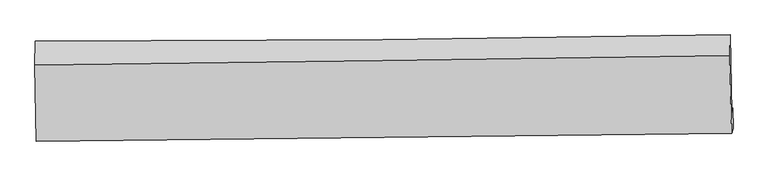
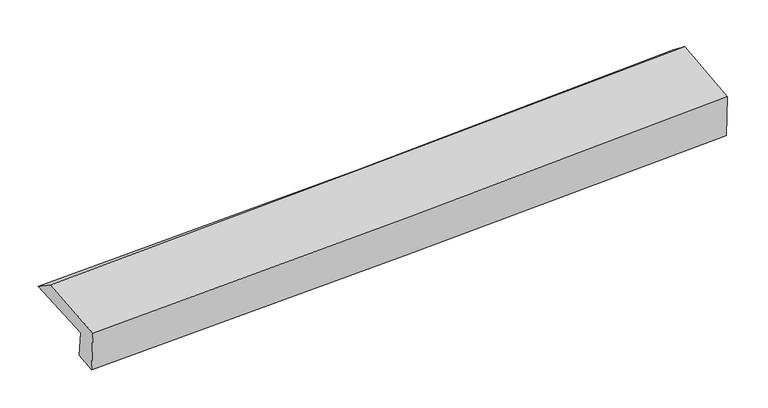
"""IFC4 building model written with IfcOpenShell, lengths in millimetres: proxy geometry."""

from ifc_helpers import new_model, si_unit, frame, origin, place, context, project, spatial, source, transform, mapped, element, save
from ifc_brep_helpers import plane_surface, spline_curve, spline_surface, advanced_brep


def generic_models_806c679a(model_context):
    return source(origin(), model_context, "Body", "AdvancedBrep", [
        advanced_brep(
        [(-3027.2914995, -1814.7844424, 1890.0587656), (-3040.0462965, -1141.8290234, 1951.1169818), (3001.2180976, -1088.6516474, 2175.219403), (3015.5216538, -1763.4624504, 2088.5796472), (-3019.5552001, -1774.6282198, 1640.3568097), (3023.8401079, -1727.875451, 1823.6884907), (-3015.5222691, -1972.3715088, 1613.9174878), (3027.6430399, -1905.7963426, 1799.9050008), (-3028.0212263, -2015.2702845, 2006.9165097), (3014.2389557, -1946.4781067, 2218.3919651), (-3041.5576375, -1351.5509027, 2095.6592958), (2999.6309804, -1270.897399, 2313.6871013)],
        [
            (0, 1),
            (1, 2, spline_curve(3, [(-3040.0462965, -1141.8290234, 1951.1169818), (-2032.757348739, -1144.015616344, 1980.379191975), (-1025.671181726, -1140.677405925, 2013.685633976), (988.083611278, -1122.951482322, 2088.38653705), (1994.752242574, -1108.563900906, 2129.780902207), (3001.2180976, -1088.6516474, 2175.219403)], [4, 2, 4], [0.0, 9.918179563511899, 19.836241126931455])),
            (2, 3),
            (3, 0, spline_curve(3, [(3015.5216538, -1763.4624504, 2088.5796472), (2008.705078926, -1783.523730716, 2050.162037387), (1001.732025495, -1797.831212537, 2014.409908117), (-1012.539022214, -1814.938679831, 1948.236217635), (-2019.837019305, -1817.738528874, 1917.814719698), (-3027.2914995, -1814.7844424, 1890.0587656)], [4, 2, 4], [0.0, 9.918061563419556, 19.836241126931455])),
            (4, 0),
            (3, 5),
            (5, 4, spline_curve(3, [(3023.8401079, -1727.875451, 1823.6884907), (2017.016862307, -1749.141869142, 1786.041427407), (1009.991961066, -1763.671159462, 1751.940325286), (-1004.473136939, -1779.255575845, 1690.829680384), (-2011.913338261, -1780.310542223, 1663.820222293), (-3019.5552001, -1774.6282198, 1640.3568097)], [4, 2, 4], [0.0, 9.918679007299053, 19.837476022036483])),
            (6, 4),
            (5, 7),
            (7, 6, spline_curve(3, [(3027.6430399, -1905.7963426, 1799.9050008), (2020.645131098, -1920.093729822, 1763.188711835), (1013.552064151, -1932.790330643, 1729.331683347), (-1000.836370168, -1954.98209097, 1667.335777657), (-2008.131739336, -1964.477212138, 1639.196968711), (-3015.5222691, -1972.3715088, 1613.9174878)], [4, 2, 4], [0.0, 9.918655552697027, 19.83742911255338])),
            (8, 6),
            (7, 9),
            (9, 8, spline_curve(3, [(3014.2389557, -1946.4781067, 2218.3919651), (2007.413220297, -1959.440548351, 2175.993166073), (1000.481666493, -1971.654420892, 2137.170895278), (-1013.605058115, -1994.585164716, 2066.678991986), (-2020.760231932, -2005.302017992, 2035.009443891), (-3028.0212263, -2015.2702845, 2006.9165097)], [4, 2, 4], [0.0, 9.918575861209181, 19.837269728629558])),
            (10, 8),
            (9, 11),
            (11, 10, spline_curve(3, [(2999.6309804, -1270.897399, 2313.6871013), (1992.923704183, -1285.180082254, 2271.922325883), (986.140676636, -1299.042511559, 2232.871046547), (-1027.588861134, -1325.92702277, 2160.195046525), (-2034.535372491, -1338.949094661, 2126.57039104), (-3041.5576375, -1351.5509027, 2095.6592958)], [4, 2, 4], [0.0, 9.917981563870635, 19.836081126881815])),
            (1, 10),
            (11, 2),
        ],
        [
            spline_surface(3, 3, [[(-3027.2914995, -1814.7844424, 1890.0587656), (-2019.837019435, -1817.738528994, 1917.814719579), (-1012.539022058, -1814.938679972, 1948.236217559), (1001.732025339, -1797.831212396, 2014.409908193), (2008.705079021, -1783.523730745, 2050.162037396), (3015.5216538, -1763.4624504, 2088.5796472)], [(-3031.543098481, -1590.465969406, 1910.411504344), (-2024.143795872, -1593.164224836, 1938.669543702), (-1016.916408661, -1590.184921932, 1970.052689654), (997.182554003, -1572.871302386, 2039.068784515), (2004.054133486, -1558.53712083, 2076.701659036), (3010.753801722, -1538.525516045, 2117.459565817)], [(-3035.794697519, -1366.147496394, 1930.764243056), (-2028.450572365, -1368.589920659, 1959.524367792), (-1021.29379522, -1365.431163906, 1991.869161761), (992.633082711, -1347.91139239, 2063.727660847), (1999.403187985, -1333.55051098, 2103.241280624), (3005.985949678, -1313.588581755, 2146.339484383)], [(-3040.0462965, -1141.8290234, 1951.1169818), (-2032.757348801, -1144.0156165, 1980.379191915), (-1025.671181823, -1140.677405866, 2013.685633857), (988.083611375, -1122.951482381, 2088.386537169), (1994.75224245, -1108.563901065, 2129.780902264), (3001.2180976, -1088.6516474, 2175.219403)]], [4, 4], [4, 2, 4], [0.0, 2.225378381095853], [0.0, 9.918179563511899, 19.836241126931455]),
            spline_surface(3, 3, [[(-3019.5552001, -1774.6282198, 1640.3568097), (-2011.913338153, -1780.310542078, 1663.820222196), (-1004.473136863, -1779.255575948, 1690.829680488), (1009.99196099, -1763.671159359, 1751.940325182), (2017.016862397, -1749.141869245, 1786.041427254), (3023.8401079, -1727.875451, 1823.6884907)], [(-3022.13396659, -1788.013627328, 1723.590794974), (-2014.554565271, -1792.786537711, 1748.485054631), (-1007.161765262, -1791.149943964, 1776.631859509), (1007.238649106, -1775.057843713, 1839.430186183), (2014.24626795, -1760.602489755, 1874.081630633), (3021.067289879, -1739.737784143, 1911.985542865)], [(-3024.71273301, -1801.399034872, 1806.824780326), (-2017.195792318, -1805.26253336, 1833.149887144), (-1009.850393659, -1803.044311956, 1862.434038538), (1004.485337223, -1786.444528042, 1926.920047192), (2011.475673468, -1772.063110236, 1962.121834017), (3018.294471821, -1751.600117257, 2000.282595035)], [(-3027.2914995, -1814.7844424, 1890.0587656), (-2019.837019435, -1817.738528994, 1917.814719579), (-1012.539022058, -1814.938679972, 1948.236217559), (1001.732025339, -1797.831212396, 2014.409908193), (2008.705079021, -1783.523730745, 2050.162037396), (3015.5216538, -1763.4624504, 2088.5796472)]], [4, 4], [4, 2, 4], [0.0, 0.8608934497506383], [0.0, 9.91879701473743, 19.837476022036483]),
            spline_surface(3, 3, [[(-3015.5222691, -1972.3715088, 1613.9174878), (-2008.131739275, -1964.477212195, 1639.196968601), (-1000.836370033, -1954.982090881, 1667.33577766), (1013.552064016, -1932.790330731, 1729.331683344), (2020.645131147, -1920.093729963, 1763.188711991), (3027.6430399, -1905.7963426, 1799.9050008)], [(-3016.866579434, -1906.457079143, 1622.730595107), (-2009.392272235, -1903.088322166, 1647.404719806), (-1002.048625618, -1896.406585904, 1675.167078627), (1012.365363033, -1876.417273608, 1736.867897314), (2019.435708235, -1863.10977638, 1770.806283756), (3026.375395905, -1846.489378723, 1807.832830778)], [(-3018.210889766, -1840.542649457, 1631.543702393), (-2010.652805193, -1841.699432107, 1655.612470991), (-1003.260881279, -1837.831080926, 1682.998379522), (1011.178661973, -1820.044216483, 1744.404111212), (2018.226285309, -1806.125822829, 1778.423855489), (3025.107751895, -1787.182414877, 1815.760660722)], [(-3019.5552001, -1774.6282198, 1640.3568097), (-2011.913338153, -1780.310542078, 1663.820222196), (-1004.473136863, -1779.255575948, 1690.829680488), (1009.99196099, -1763.671159359, 1751.940325182), (2017.016862397, -1749.141869245, 1786.041427254), (3023.8401079, -1727.875451, 1823.6884907)]], [4, 4], [4, 2, 4], [0.0, 0.5708469139321299], [0.0, 9.918773559856353, 19.83742911255338]),
            spline_surface(3, 3, [[(-3028.0212263, -2015.2702845, 2006.9165097), (-2020.760231868, -2005.302017959, 2035.009444005), (-1013.605058218, -1994.585164687, 2066.678991843), (1000.481666595, -1971.654420921, 2137.170895421), (2007.413220283, -1959.4405483, 2175.993166035), (3014.2389557, -1946.4781067, 2218.3919651)], [(-3023.85490721, -2000.970692584, 1875.916835749), (-2016.550734314, -1991.693749355, 1903.071952219), (-1009.348828846, -1981.384140074, 1933.564587104), (1004.838465712, -1958.69972418, 2001.224491384), (2011.823857242, -1946.324942201, 2038.391681343), (3018.706983771, -1932.91751868, 2078.896310323)], [(-3019.68858819, -1986.671100716, 1744.917161751), (-2012.341236829, -1978.085480799, 1771.134460386), (-1005.092599405, -1968.183115494, 1800.450182399), (1009.195264899, -1945.745027472, 1865.278087381), (2016.234494187, -1933.209336062, 1900.790196683), (3023.175011829, -1919.35693062, 1939.400655577)], [(-3015.5222691, -1972.3715088, 1613.9174878), (-2008.131739275, -1964.477212195, 1639.196968601), (-1000.836370033, -1954.982090881, 1667.33577766), (1013.552064016, -1932.790330731, 1729.331683344), (2020.645131147, -1920.093729963, 1763.188711991), (3027.6430399, -1905.7963426, 1799.9050008)]], [4, 4], [4, 2, 4], [0.0, 1.3310348263508516], [0.0, 9.918693867420377, 19.837269728629558]),
            spline_surface(3, 3, [[(-3041.5576375, -1351.5509027, 2095.6592958), (-2034.535372603, -1338.949094606, 2126.570391061), (-1027.588861001, -1325.927022789, 2160.195046662), (986.140676503, -1299.04251154, 2232.871046409), (1992.923704188, -1285.180082155, 2271.922325951), (2999.6309804, -1270.897399, 2313.6871013)], [(-3037.045500434, -1572.790696643, 2066.078367091), (-2029.943659025, -1561.066735733, 2096.050075367), (-1022.927593381, -1548.813070091, 2129.023028378), (990.921006559, -1523.246481336, 2200.970996069), (1997.753542877, -1509.933570875, 2239.945939298), (3004.500305491, -1496.090968238, 2281.922055886)], [(-3032.533363366, -1794.030490557, 2036.497438409), (-2025.351945446, -1783.184376832, 2065.529759699), (-1018.266325838, -1771.699117385, 2097.851010127), (995.701336539, -1747.450451124, 2169.070945761), (2002.583381594, -1734.687059581, 2207.969552687), (3009.369630609, -1721.284537462, 2250.157010514)], [(-3028.0212263, -2015.2702845, 2006.9165097), (-2020.760231868, -2005.302017959, 2035.009444005), (-1013.605058218, -1994.585164687, 2066.678991843), (1000.481666595, -1971.654420921, 2137.170895421), (2007.413220283, -1959.4405483, 2175.993166035), (3014.2389557, -1946.4781067, 2218.3919651)]], [4, 4], [4, 2, 4], [0.0, 2.222517976394278], [0.0, 9.91809956301118, 19.836081126881815]),
            spline_surface(3, 3, [[(-3040.0462965, -1141.8290234, 1951.1169818), (-2032.757348801, -1144.0156165, 1980.379191915), (-1025.671181823, -1140.677405866, 2013.685633857), (988.083611375, -1122.951482381, 2088.386537169), (1994.75224245, -1108.563901065, 2129.780902264), (3001.2180976, -1088.6516474, 2175.219403)], [(-3040.550076851, -1211.736316496, 1999.297753134), (-2033.350023419, -1208.993442531, 2029.109591631), (-1026.310408229, -1202.427278177, 2062.522104797), (987.435966405, -1181.648492104, 2136.548040254), (1994.142729695, -1167.435961434, 2177.161376824), (3000.689058533, -1149.400231272, 2221.375302431)], [(-3041.053857149, -1281.643609604, 2047.478524466), (-2033.942697985, -1273.971268575, 2077.839991344), (-1026.949634596, -1264.177150477, 2111.358575722), (986.788321473, -1240.345501816, 2184.709543324), (1993.533216943, -1226.308021787, 2224.54185139), (3000.160019467, -1210.148815128, 2267.531201869)], [(-3041.5576375, -1351.5509027, 2095.6592958), (-2034.535372603, -1338.949094606, 2126.570391061), (-1027.588861001, -1325.927022789, 2160.195046662), (986.140676503, -1299.04251154, 2232.871046409), (1992.923704188, -1285.180082155, 2271.922325951), (2999.6309804, -1270.897399, 2313.6871013)]], [4, 4], [4, 2, 4], [0.0, 0.7610903715365398], [0.0, 9.917546306568553, 19.834974620578848]),
            plane_surface(frame((3013.6821392, -1617.1935662, 2069.9119347), z_axis=(0.9992915569745376, 0.016861488591590028, 0.03364631275310869), x_axis=(0.03186340710584859, 0.09670631647090577, -0.9948028003791686))),
            plane_surface(frame((-3028.6656882, -1678.4057303, 1866.3376417), z_axis=(-0.9993116528266976, -0.015899252283173616, -0.03351767148251431), x_axis=(0.018872508009113314, -0.995731769868345, -0.09034418031228858))),
        ],
        [
            (0, [[1, 2, 3, 4]]),
            (1, [[5, -4, 6, 7]]),
            (2, [[8, -7, 9, 10]]),
            (3, [[11, -10, 12, 13]]),
            (4, [[14, -13, 15, 16]]),
            (5, [[17, -16, 18, -2]]),
            (6, [[-12, -9, -6, -3, -18, -15]]),
            (7, [[-1, -5, -8, -11, -14, -17]]),
        ],
    ),
    ])


if __name__ == "__main__":
    model = new_model("IFC4")
    model_context = context("Model", 3, world=origin())
    ifc_project = project(units=[si_unit("LENGTHUNIT", "METRE", prefix="MILLI")], contexts=[model_context])
    site = spatial("IfcSite", under=ifc_project)
    building = spatial("IfcBuilding", under=site)
    placement = place(None, origin())
    generic_models_shape = generic_models_806c679a(model_context)
    element("IfcBuildingElementProxy", 1, Name="Generic Models", at=placement, inside=building, context=model_context, shape_type="MappedRepresentation", body=[
        mapped(generic_models_shape, transform((0.0, 0.0, 0.0), x_axis=(1.0, 0.0, 0.0), y_axis=(0.0, 1.0, 0.0), z_axis=(0.0, 0.0, 1.0))),
    ])
    save(model, "model.ifc")
